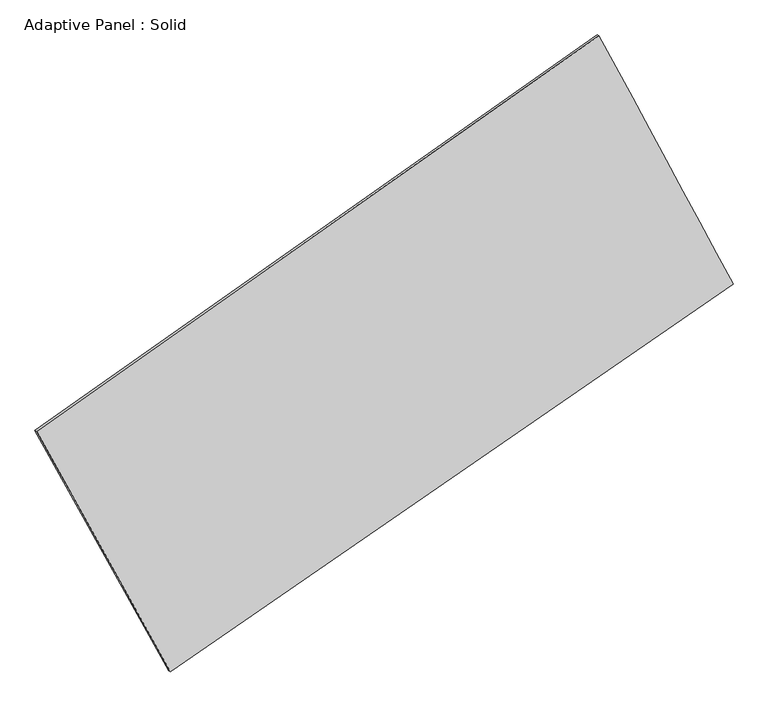
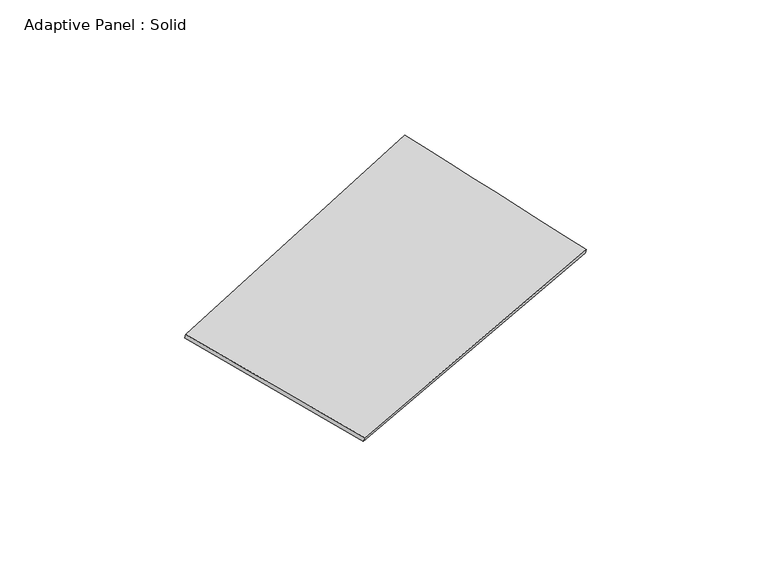
"""IFC4 building model written with IfcOpenShell, lengths in millimetres: plate geometry, Adaptive Panel : Solid."""

from ifc_helpers import new_model, si_unit, frame, origin, place, context, project, spatial, source, transform, mapped, element, save
from ifc_brep_helpers import plane_surface, spline_surface, advanced_brep


def adaptive_panel_solid_77119749(model_context):
    return source(origin(), model_context, "Body", "AdvancedBrep", [
        advanced_brep(
        [(1170.0462356, 2622.4243112, 700.8230078), (-3610.0128257, -742.3666022, 1673.3209252), (-3595.3464699, -748.7466956, 1720.6938332), (1184.7125914, 2616.0442177, 748.1959159), (-2473.331168, -2788.3693964, 1101.1096175), (-2458.6648122, -2794.7494898, 1148.4825255), (2310.00718, 508.0631145, 9.8689697), (2324.6735359, 501.683021, 57.2418778)],
        [
            (0, 1),
            (1, 2),
            (2, 3),
            (3, 0),
            (1, 4),
            (4, 5),
            (5, 2),
            (4, 6),
            (6, 7),
            (7, 5),
            (6, 0),
            (3, 7),
        ],
        [
            plane_surface(frame((-1219.9832951, 940.0288545, 1187.0719665), z_axis=(-0.5170540383524553, 0.8124217624520659, 0.26949211735725564), x_axis=(-0.8066356942961511, -0.5678089788680398, 0.16410917160293156))),
            plane_surface(frame((-3041.6719969, -1765.3679993, 1387.2152713), z_axis=(-0.8350313642376634, -0.5167491714753761, 0.18892568517514818), x_axis=(0.47175374510715357, -0.8491467018011826, -0.23748322634988026))),
            plane_surface(frame((-81.661994, -1140.1531409, 555.4892936), z_axis=(0.5048553124779189, -0.8209183721315685, -0.2668597754620925), x_axis=(0.8092534740609121, 0.5576961668355632, -0.18461798454447584))),
            plane_surface(frame((1740.0267078, 1565.2437128, 355.3459888), z_axis=(0.8369155638390039, 0.5133056380077098, -0.18997279013990465), x_axis=(-0.4560773647318762, 0.8459169477513993, 0.2764379765628876))),
            spline_surface(1, 1, [[(-3595.3464699, -748.7466956, 1720.6938332), (1184.7125914, 2616.0442177, 748.1959159)], [(-2458.6648122, -2794.7494898, 1148.4825255), (2324.6735359, 501.683021, 57.2418778)]], [2, 2], [2, 2], [0.0, 1.0], [0.0, 1.0]),
            spline_surface(1, 1, [[(2310.00718, 508.0631145, 9.8689697), (1170.0462356, 2622.4243112, 700.8230078)], [(-2473.331168, -2788.3693964, 1101.1096175), (-3610.0128257, -742.3666022, 1673.3209252)]], [2, 2], [2, 2], [0.0, 1.0], [0.0, 1.0]),
        ],
        [
            (0, [[1, 2, 3, 4]]),
            (1, [[5, 6, 7, -2]]),
            (2, [[8, 9, 10, -6]]),
            (3, [[11, -4, 12, -9]]),
            (4, [[-3, -7, -10, -12]]),
            (5, [[-11, -8, -5, -1]]),
        ],
    ),
    ])


if __name__ == "__main__":
    model = new_model("IFC4")
    model_context = context("Model", 3, world=origin())
    ifc_project = project(units=[si_unit("LENGTHUNIT", "METRE", prefix="MILLI")], contexts=[model_context])
    site = spatial("IfcSite", under=ifc_project)
    building = spatial("IfcBuilding", under=site)
    placement = place(None, origin())
    adaptive_panel_solid_shape = adaptive_panel_solid_77119749(model_context)
    element("IfcPlate", 1, ObjectType="Adaptive Panel : Solid", at=placement, inside=building, context=model_context, shape_type="MappedRepresentation", body=[
        mapped(adaptive_panel_solid_shape, transform((0.0, 0.0, 0.0), x_axis=(1.0, 0.0, 0.0), y_axis=(0.0, 1.0, 0.0), z_axis=(0.0, 0.0, 1.0))),
    ])
    save(model, "model.ifc")
